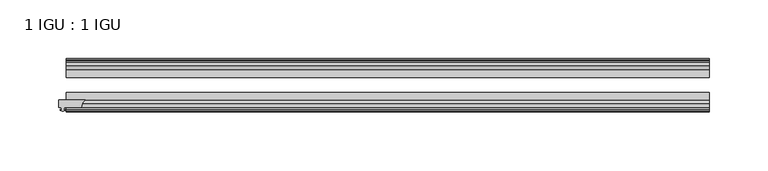
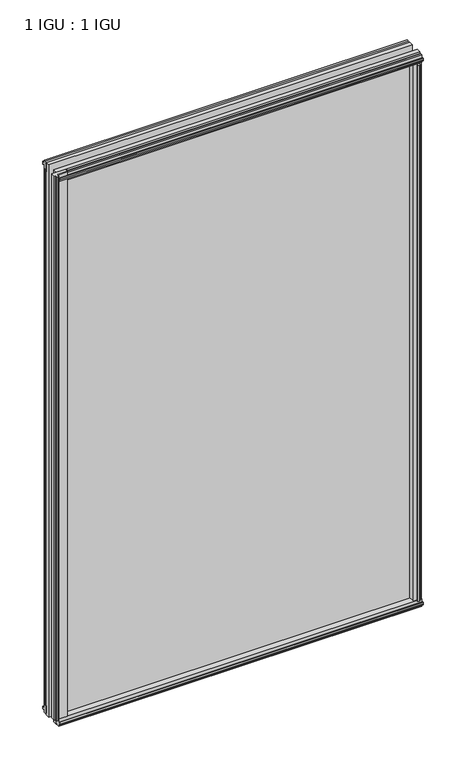
"""IFC4 building model written with IfcOpenShell, lengths in millimetres: plate geometry, 1 IGU : 1 IGU."""

from ifc_helpers import new_model, si_unit, point, frame, frame_2d, origin, origin_with_axes, place, context, project, spatial, polyline, circle_curve, trimmed, segment, composite_curve, outline, extrude, source, transform, mapped, element, save


def plate_1_igu_1_igu_961a0a8b(model_context):
    return source(origin(), model_context, "Body", "SweptSolid", [
        extrude(outline(composite_curve([segment(trimmed(circle_curve(frame_2d((-252.5161799, -51.2493858)), 7.4386445), [point((-256.4661092, -44.9460937))], [point((-259.9546778, -51.2960937))], True, "CARTESIAN"), True, "CONTINUOUS"), segment(polyline([(-259.9546778, -51.2960937), (-274.5596778, -51.2960937), (-274.8771778, -53.4006957), (-273.6712719, -53.0775742), (-273.6712719, -53.8927506), (-275.8296778, -54.4710937), (-277.9880837, -53.8927506), (-277.9880837, -53.0775742), (-276.7821778, -53.4006957), (-277.0996778, -51.2960937), (-279.0046778, -51.2960937), (-279.0046778, -44.9460937), (-256.4661092, -44.9460937)]), True, "CONTINUOUS")], self_intersect=False)), origin_with_axes(), (0.0, 0.0, 1.0), 863.5872998),
        extrude(outline(polyline([(258.3688915, -19.5460937), (260.4741686, -13.1960937), (265.681363, -13.1960937), (266.062363, -10.8158968), (264.646834, -11.27583), (264.646834, -10.4746158), (266.824363, -9.7670937), (269.0018921, -10.4746158), (269.0018921, -11.27583), (267.586363, -10.8158968), (267.967363, -13.1960937), (272.412363, -13.1960937), (272.412363, -16.1419073), (270.1992855, -19.5460937), (258.3688915, -19.5460937)])), origin_with_axes(), (0.0, 0.0, 1.0), 850.9),
        extrude(outline(polyline([(-258.3688915, -19.5460937), (-270.1992855, -19.5460937), (-272.412363, -16.1419073), (-272.412363, -13.1960937), (-267.967363, -13.1960937), (-267.586363, -10.8158968), (-269.0018921, -11.27583), (-269.0018921, -10.4746158), (-266.824363, -9.7670937), (-264.646834, -10.4746158), (-264.646834, -11.27583), (-266.062363, -10.8158968), (-265.681363, -13.1960937), (-260.4741686, -13.1960937), (-258.3688915, -19.5460937)])), origin_with_axes(), (0.0, 0.0, 1.0), 850.9),
        extrude(outline(polyline([(-16.1419073, -12.4576852), (-19.5460937, -10.2446077), (-19.5460937, 1.5857863), (-13.1960937, -0.5194908), (-13.1960937, -5.7266852), (-10.8158968, -6.1076852), (-11.27583, -4.6921562), (-10.4746158, -4.6921562), (-9.7670937, -6.8696852), (-10.4746158, -9.0472143), (-11.27583, -9.0472143), (-10.8158968, -7.6316852), (-13.1960937, -8.0126852), (-13.1960937, -12.4576852), (-16.1419073, -12.4576852)])), frame((-272.6546778, 0.0, 0.0), z_axis=(1.0, 0.0, 0.0), x_axis=(0.0, 1.0, 0.0)), (0.0, 0.0, 1.0), 545.3093556),
        extrude(outline(polyline([(-48.3502802, -11.938), (-51.2960937, -11.938), (-51.2960937, -7.493), (-53.6762907, -7.112), (-53.2163575, -8.5275291), (-54.0175717, -8.5275291), (-54.7250937, -6.35), (-54.0175717, -4.172471), (-53.2163575, -4.172471), (-53.6762907, -5.588), (-51.2960937, -5.207), (-51.2960937, 0.0001944), (-44.9460937, 2.1054715), (-44.9460937, -9.7249225), (-48.3502802, -11.938)])), frame((-272.6546778, 0.0, 0.0), z_axis=(1.0, 0.0, 0.0), x_axis=(0.0, 1.0, 0.0)), (0.0, 0.0, 1.0), 545.3093556),
        extrude(outline(polyline([(-16.1028367, 863.3576852), (-13.1960937, 863.3576852), (-13.1960937, 858.9126852), (-10.8158968, 858.5316852), (-11.27583, 859.9472143), (-10.4746158, 859.9472143), (-9.7670937, 857.7696852), (-10.4746158, 855.5921562), (-11.27583, 855.5921562), (-10.8158968, 857.0076852), (-13.1960937, 856.6266852), (-13.1960937, 851.3940908), (-19.5460937, 849.2888137), (-19.5460937, 861.1192077), (-16.1028367, 863.3576852)])), frame((-272.6546778, 0.0, 0.0), z_axis=(1.0, 0.0, 0.0), x_axis=(0.0, 1.0, 0.0)), (0.0, 0.0, 1.0), 545.3093556),
        extrude(outline(polyline([(-48.3893508, 862.8126), (-44.9460937, 860.5741225), (-44.9460937, 848.7437285), (-51.2960937, 850.8490056), (-51.2960937, 856.0816), (-53.6762907, 856.4626), (-53.2163575, 855.047071), (-54.0175717, 855.047071), (-54.7250938, 857.2246), (-54.0175717, 859.4021291), (-53.2163575, 859.4021291), (-53.6762907, 857.9866), (-51.2960937, 858.3676), (-51.2960937, 862.8126), (-48.3893508, 862.8126)])), frame((-272.6546778, 0.0, 0.0), z_axis=(1.0, 0.0, 0.0), x_axis=(0.0, 1.0, 0.0)), (0.0, 0.0, 1.0), 545.3093556),
        extrude(outline(polyline([(257.8492063, -44.9460938), (269.6796003, -44.9460938), (271.8926778, -48.3502802), (271.8926778, -51.2960938), (267.4476778, -51.2960938), (267.0666778, -53.6762907), (268.4822068, -53.2163575), (268.4822068, -54.0175717), (266.3046778, -54.7250938), (264.1271487, -54.0175717), (264.1271487, -53.2163575), (265.5426778, -53.6762907), (265.1616778, -51.2960938), (259.9544834, -51.2960938), (257.8492063, -44.9460938)])), origin_with_axes(), (0.0, 0.0, 1.0), 850.9),
        extrude(outline(polyline([(272.6546778, -19.5460937), (272.6546778, -25.8337453), (-272.6546778, -25.8337453), (-272.6546778, -19.5460937), (272.6546778, -19.5460937)])), frame((0.0, 0.0, -12.7), z_axis=(0.0, 0.0, 1.0), x_axis=(1.0, 0.0, 0.0)), (0.0, 0.0, 1.0), 876.2872998),
        extrude(outline(polyline([(-272.6546778, -44.9460937), (-272.6546778, -38.6468938), (272.6546778, -38.6468938), (272.6546778, -44.9460937), (-272.6546778, -44.9460937)])), frame((0.0, 0.0, -12.7), z_axis=(0.0, 0.0, 1.0), x_axis=(1.0, 0.0, 0.0)), (0.0, 0.0, 1.0), 876.2872998),
    ])


if __name__ == "__main__":
    model = new_model("IFC4")
    model_context = context("Model", 3, world=origin())
    ifc_project = project(units=[si_unit("LENGTHUNIT", "METRE", prefix="MILLI")], contexts=[model_context])
    site = spatial("IfcSite", under=ifc_project)
    building = spatial("IfcBuilding", under=site)
    placement = place(None, origin())
    plate_1_igu_1_igu_shape = plate_1_igu_1_igu_961a0a8b(model_context)
    element("IfcPlate", 1, ObjectType="1 IGU : 1 IGU", at=placement, inside=building, context=model_context, shape_type="MappedRepresentation", body=[
        mapped(plate_1_igu_1_igu_shape, transform((0.0, 0.0, 0.0), x_axis=(1.0, 0.0, 0.0), y_axis=(0.0, 1.0, 0.0), z_axis=(0.0, 0.0, 1.0))),
    ])
    save(model, "model.ifc")
